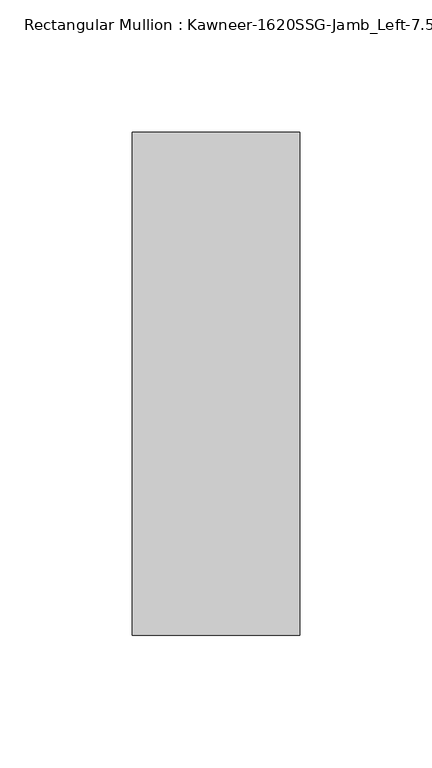
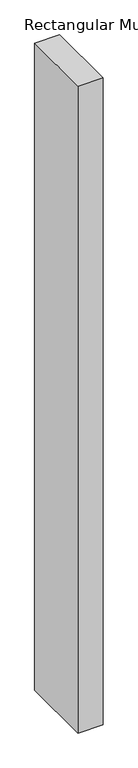
"""IFC4 building model written with IfcOpenShell, lengths in millimetres: member geometry."""

from ifc_helpers import new_model, si_unit, frame, origin, place, context, project, spatial, polyline, outline, extrude, source, transform, mapped, element, save


def member_61efa018(model_context):
    return source(origin(), model_context, "Body", "SweptSolid", [
        extrude(outline(polyline([(22.225, -28.575), (-41.275, -28.575), (-41.275, 161.925), (22.225, 161.925), (22.225, -28.575)])), frame((0.0, 0.0, -1739.9), z_axis=(0.0, 0.0, 1.0), x_axis=(1.0, 0.0, 0.0)), (0.0, 0.0, 1.0), 1739.9),
    ])


if __name__ == "__main__":
    model = new_model("IFC4")
    model_context = context("Model", 3, world=origin())
    ifc_project = project(units=[si_unit("LENGTHUNIT", "METRE", prefix="MILLI")], contexts=[model_context])
    site = spatial("IfcSite", under=ifc_project)
    building = spatial("IfcBuilding", under=site)
    placement = place(None, origin())
    member_shape = member_61efa018(model_context)
    element("IfcMember", 1, ObjectType="Rectangular Mullion : Kawneer-1620SSG-Jamb_Left-7.5\"-1/4\"Infill", at=placement, inside=building, context=model_context, shape_type="MappedRepresentation", body=[
        mapped(member_shape, transform((0.0, 0.0, 0.0), x_axis=(1.0, 0.0, 0.0), y_axis=(0.0, 1.0, 0.0), z_axis=(0.0, 0.0, 1.0))),
    ])
    save(model, "model.ifc")
